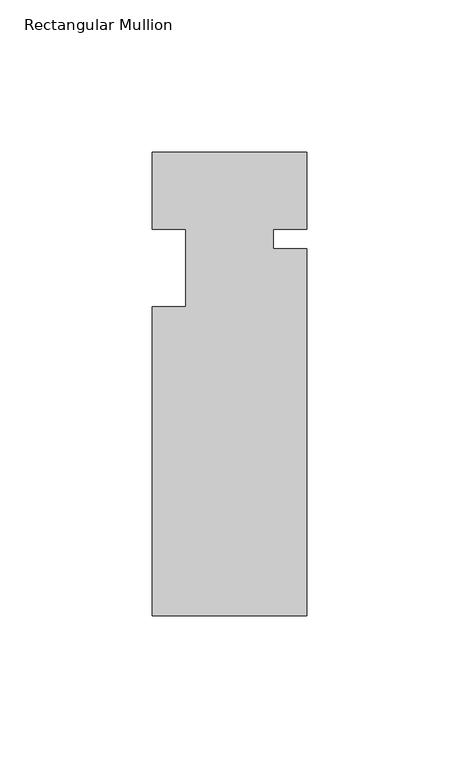
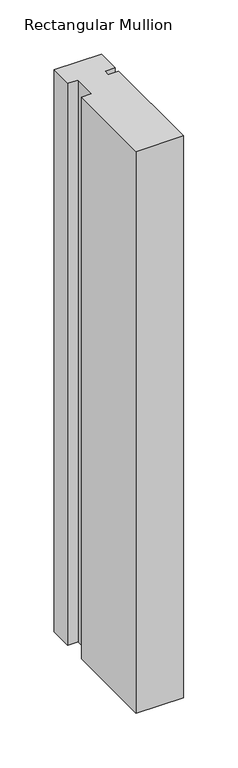
"""IFC4 building model written with IfcOpenShell, lengths in millimetres: member geometry, Rectangular Mullion."""

from ifc_helpers import new_model, si_unit, frame, origin, place, context, project, spatial, polyline, outline, extrude, source, transform, mapped, element, save


def rectangular_mullion_3a0e4e3f(model_context):
    return source(origin(), model_context, "Body", "SweptSolid", [
        extrude(outline(polyline([(-25.4, 0.0), (25.4, 0.0), (25.4, -25.4), (14.398625, -25.4), (14.398625, -31.75), (25.4, -31.75), (25.4, -152.4), (-25.4, -152.4), (-25.4, -50.8), (-14.398625, -50.8), (-14.398625, -25.4), (-25.4, -25.4), (-25.4, 0.0)])), frame((0.0, 0.0, -635.0), z_axis=(0.0, 0.0, 1.0), x_axis=(1.0, 0.0, 0.0)), (0.0, 0.0, 1.0), 635.0),
    ])


if __name__ == "__main__":
    model = new_model("IFC4")
    model_context = context("Model", 3, world=origin())
    ifc_project = project(units=[si_unit("LENGTHUNIT", "METRE", prefix="MILLI")], contexts=[model_context])
    site = spatial("IfcSite", under=ifc_project)
    building = spatial("IfcBuilding", under=site)
    placement = place(None, origin())
    rectangular_mullion_shape = rectangular_mullion_3a0e4e3f(model_context)
    element("IfcMember", 1, ObjectType="Rectangular Mullion", at=placement, inside=building, context=model_context, shape_type="MappedRepresentation", body=[
        mapped(rectangular_mullion_shape, transform((0.0, 0.0, 0.0), x_axis=(1.0, 0.0, 0.0), y_axis=(0.0, 1.0, 0.0), z_axis=(0.0, 0.0, 1.0))),
    ])
    save(model, "model.ifc")
